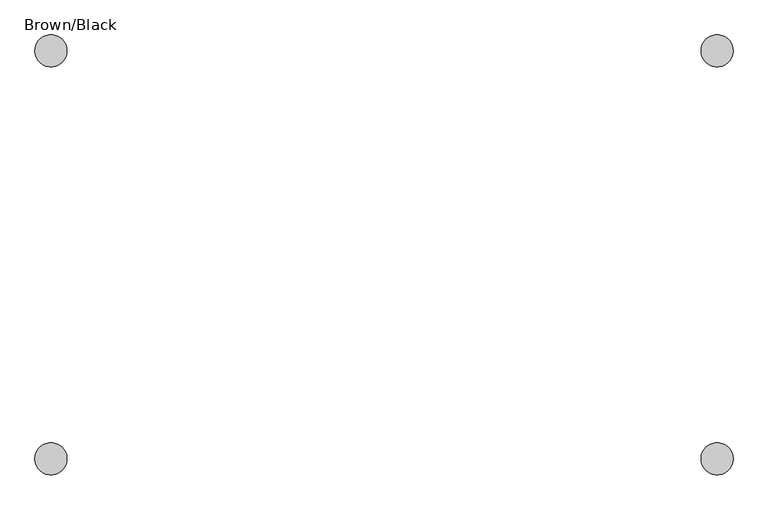
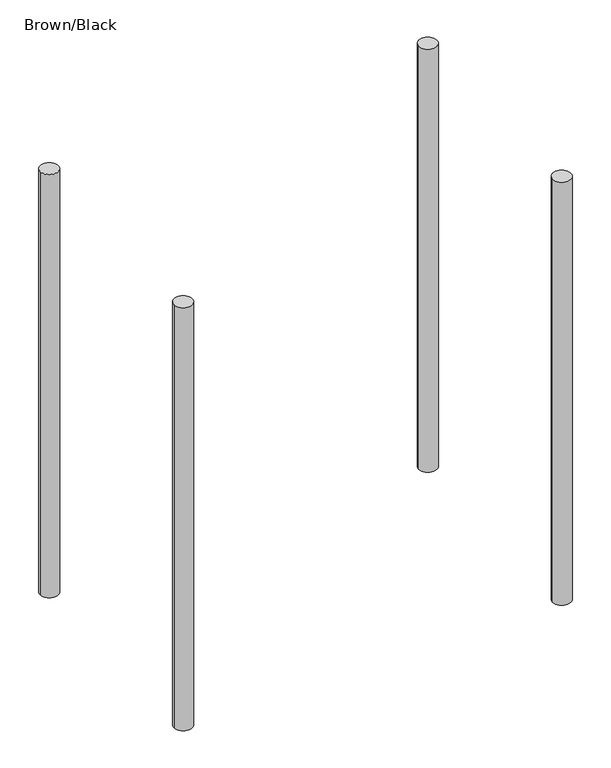
"""IFC4 building model written with IfcOpenShell, lengths in millimetres: furniture geometry, Brown/Black."""

from ifc_helpers import new_model, si_unit, point, frame, frame_2d, origin, place, context, project, spatial, circle_curve, trimmed, segment, composite_curve, outline, extrude, source, transform, mapped, element, save


def brown_black_fdaecfd8(model_context):
    return source(origin(), model_context, "Body", "SweptSolid", [
        extrude(outline(composite_curve([segment(trimmed(circle_curve(frame_2d((-547.0, 205.0)), 55.0), [point((-602.0, 205.0))], [point((-492.0, 205.0))], False, "CARTESIAN"), True, "CONTINUOUS"), segment(trimmed(circle_curve(frame_2d((-547.0, 205.0)), 55.0), [point((-492.0, 205.0))], [point((-602.0, 205.0))], False, "CARTESIAN"), True, "CONTINUOUS")], self_intersect=False)), frame((0.0, 0.0, -100.0), z_axis=(0.0, 0.0, 1.0), x_axis=(1.0, 0.0, 0.0)), (0.0, 0.0, 1.0), 2700.0),
        extrude(outline(composite_curve([segment(trimmed(circle_curve(frame_2d((-547.0, 1605.0)), 55.0), [point((-602.0, 1605.0))], [point((-492.0, 1605.0))], False, "CARTESIAN"), True, "CONTINUOUS"), segment(trimmed(circle_curve(frame_2d((-547.0, 1605.0)), 55.0), [point((-492.0, 1605.0))], [point((-602.0, 1605.0))], False, "CARTESIAN"), True, "CONTINUOUS")], self_intersect=False)), frame((0.0, 0.0, -100.0), z_axis=(0.0, 0.0, 1.0), x_axis=(1.0, 0.0, 0.0)), (0.0, 0.0, 1.0), 2700.0),
        extrude(outline(composite_curve([segment(trimmed(circle_curve(frame_2d((1739.0, 205.0)), 55.0), [point((1684.0, 205.0))], [point((1794.0, 205.0))], False, "CARTESIAN"), True, "CONTINUOUS"), segment(trimmed(circle_curve(frame_2d((1739.0, 205.0)), 55.0), [point((1794.0, 205.0))], [point((1684.0, 205.0))], False, "CARTESIAN"), True, "CONTINUOUS")], self_intersect=False)), frame((0.0, 0.0, -100.0), z_axis=(0.0, 0.0, 1.0), x_axis=(1.0, 0.0, 0.0)), (0.0, 0.0, 1.0), 2700.0),
        extrude(outline(composite_curve([segment(trimmed(circle_curve(frame_2d((1739.0, 1605.0)), 55.0), [point((1684.0, 1605.0))], [point((1794.0, 1605.0))], False, "CARTESIAN"), True, "CONTINUOUS"), segment(trimmed(circle_curve(frame_2d((1739.0, 1605.0)), 55.0), [point((1794.0, 1605.0))], [point((1684.0, 1605.0))], False, "CARTESIAN"), True, "CONTINUOUS")], self_intersect=False)), frame((0.0, 0.0, -100.0), z_axis=(0.0, 0.0, 1.0), x_axis=(1.0, 0.0, 0.0)), (0.0, 0.0, 1.0), 2700.0),
    ])


if __name__ == "__main__":
    model = new_model("IFC4")
    model_context = context("Model", 3, world=origin())
    ifc_project = project(units=[si_unit("LENGTHUNIT", "METRE", prefix="MILLI")], contexts=[model_context])
    site = spatial("IfcSite", under=ifc_project)
    building = spatial("IfcBuilding", under=site)
    placement = place(None, origin())
    brown_black_shape = brown_black_fdaecfd8(model_context)
    element("IfcFurniture", 1, ObjectType="Brown/Black", at=placement, inside=building, context=model_context, shape_type="MappedRepresentation", body=[
        mapped(brown_black_shape, transform((0.0, 0.0, 0.0), x_axis=(1.0, 0.0, 0.0), y_axis=(0.0, 1.0, 0.0), z_axis=(0.0, 0.0, 1.0))),
    ])
    save(model, "model.ifc")
